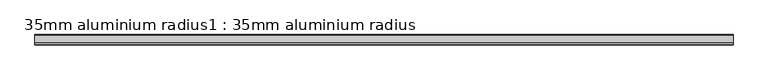
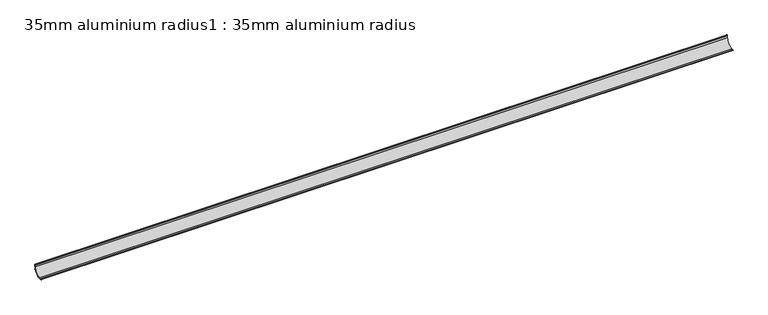
"""IFC4 building model written with IfcOpenShell, lengths in millimetres: proxy geometry, 35mm aluminium radius1 : 35mm aluminium radius."""

import ifcopenshell
import ifcopenshell.guid

model = None  # the IFC model being written
_history = None  # IfcOwnerHistory: only IFC2X3 demands one
_inside = {}  # id of a spatial element -> (the spatial element, [elements in it])
_under = {}  # id of a project, library or spatial element -> (it, [spatial elements below it])
_declared = {}  # id of a project -> (the project, [libraries it declares])
_typed = {}  # id of a type object -> (the type object, [elements of that type])
_made_of = {}  # id of a material, layer set ... -> (it, [elements and type objects made of it])


def new_model(schema):
    """Start an empty IFC model of exactly this schema.

    Asked for "IFC4X3", IfcOpenShell would pick the latest addendum, in which some entities
    have other attributes; the version numbers below select the first issue.
    IFC2X3 requires an IfcOwnerHistory on every rooted entity: one is made here for all.
    """
    global model, _history
    if schema == "IFC4X3":
        model = ifcopenshell.file(schema_version=(4, 3, 0, 0))
    else:
        model = ifcopenshell.file(schema=schema)
    _inside.clear()
    _under.clear()
    _declared.clear()
    _typed.clear()
    _made_of.clear()
    _history = None
    if model.schema == "IFC2X3":
        org = make("IfcOrganization", Name="unknown")
        user = make(
            "IfcPersonAndOrganization",
            ThePerson=make("IfcPerson", FamilyName="unknown"),
            TheOrganization=org,
        )
        app = make(
            "IfcApplication",
            ApplicationDeveloper=org,
            Version="unknown",
            ApplicationFullName="unknown",
            ApplicationIdentifier="unknown",
        )
        _history = make(
            "IfcOwnerHistory",
            OwningUser=user,
            OwningApplication=app,
            ChangeAction="ADDED",
            CreationDate=0,
        )
    return model


def make(cls, **values):
    """One entity of the class cls with the attributes given. An attribute that is None is left unset."""
    return model.create_entity(
        cls, **{name: value for name, value in values.items() if value is not None}
    )


def rooted(cls, **values):
    """An entity with a GlobalId (a new one), such as an element, a storey or a relation."""
    return make(cls, GlobalId=ifcopenshell.guid.new(), OwnerHistory=_history, **values)


def si_unit(unit_type, name, prefix=None):
    """IfcSIUnit, for example si_unit("LENGTHUNIT", "METRE", prefix="MILLI")."""
    return make("IfcSIUnit", UnitType=unit_type, Prefix=prefix, Name=name)


def assignment(units):
    """IfcUnitAssignment: the units of a project."""
    return None if units is None else make("IfcUnitAssignment", Units=units)


def point(xyz):
    """IfcCartesianPoint."""
    return None if xyz is None else make("IfcCartesianPoint", Coordinates=xyz)


def direction(xyz):
    """IfcDirection."""
    return None if xyz is None else make("IfcDirection", DirectionRatios=xyz)


def frame(location, z_axis=None, x_axis=None):
    """IfcAxis2Placement3D, a coordinate frame: its origin and axes. An axis left out is left unset."""
    return make(
        "IfcAxis2Placement3D",
        Location=point(location),
        Axis=direction(z_axis),
        RefDirection=direction(x_axis),
    )


def frame_2d(location, x_axis=None):
    """IfcAxis2Placement2D, a coordinate frame in the plane: its origin and x axis."""
    return make(
        "IfcAxis2Placement2D", Location=point(location), RefDirection=direction(x_axis)
    )


def origin():
    """The frame at (0, 0, 0) with its axes left unset."""
    return frame((0.0, 0.0, 0.0))


def place(relative_to, where):
    """IfcLocalPlacement: puts the frame where relative to a parent placement (None: the world)."""
    return make(
        "IfcLocalPlacement", PlacementRelTo=relative_to, RelativePlacement=where
    )


def context(
    kind, dimensions, precision=None, world=None, true_north=None, identifier=None
):
    """IfcGeometricRepresentationContext, for example the 3D "Model" context."""
    return make(
        "IfcGeometricRepresentationContext",
        ContextIdentifier=identifier,
        ContextType=kind,
        CoordinateSpaceDimension=dimensions,
        Precision=precision,
        WorldCoordinateSystem=world,
        TrueNorth=true_north,
    )


def project(units=None, contexts=None):
    """IfcProject with its units and contexts."""
    return rooted(
        "IfcProject",
        Name="project",
        RepresentationContexts=contexts,
        UnitsInContext=assignment(units),
    )


def spatial(cls, under=None, at=None, **own):
    """A site, building, storey or space (cls), placed at a placement, below another one or the project."""
    s = rooted(cls, ObjectPlacement=at, **own)
    if under is not None:
        _under.setdefault(under.id(), (under, []))[1].append(s)
    return s


def polyline(points):
    """IfcPolyline through the points."""
    return make("IfcPolyline", Points=[point(p) for p in points])


def circle_curve(where, radius):
    """IfcCircle in the frame where."""
    return make("IfcCircle", Position=where, Radius=radius)


def trimmed(basis, trim1, trim2, sense, master):
    """IfcTrimmedCurve: the piece of a basis curve between two trims."""
    return make(
        "IfcTrimmedCurve",
        BasisCurve=basis,
        Trim1=trim1,
        Trim2=trim2,
        SenseAgreement=sense,
        MasterRepresentation=master,
    )


def segment(curve, same_sense, transition):
    """IfcCompositeCurveSegment."""
    return make(
        "IfcCompositeCurveSegment",
        Transition=transition,
        SameSense=same_sense,
        ParentCurve=curve,
    )


def composite_curve(segments, self_intersect=None):
    """IfcCompositeCurve: segments joined end to end."""
    return make("IfcCompositeCurve", Segments=segments, SelfIntersect=self_intersect)


def outline(outer, holes=None, kind="AREA"):
    """IfcArbitraryClosedProfileDef: a profile drawn as a closed curve; with holes, ...WithVoids."""
    if holes is None:
        return make("IfcArbitraryClosedProfileDef", ProfileType=kind, OuterCurve=outer)
    return make(
        "IfcArbitraryProfileDefWithVoids",
        ProfileType=kind,
        OuterCurve=outer,
        InnerCurves=holes,
    )


def extrude(swept, where, along, depth):
    """IfcExtrudedAreaSolid: the profile swept, set in the frame where, extruded along a direction by depth."""
    return make(
        "IfcExtrudedAreaSolid",
        SweptArea=swept,
        Position=where,
        ExtrudedDirection=direction(along),
        Depth=depth,
    )


def shape(context_of_items, identifier, shape_type, items):
    """IfcShapeRepresentation: the items that make up one representation, for example the "Body"."""
    return make(
        "IfcShapeRepresentation",
        ContextOfItems=context_of_items,
        RepresentationIdentifier=identifier,
        RepresentationType=shape_type,
        Items=items,
    )


def source(mapping_origin, context_of_items, identifier, shape_type, items):
    """IfcRepresentationMap: a shape defined once, which mapped items show again and again."""
    return make(
        "IfcRepresentationMap",
        MappingOrigin=mapping_origin,
        MappedRepresentation=shape(context_of_items, identifier, shape_type, items),
    )


def transform(
    local_origin,
    x_axis=None,
    y_axis=None,
    z_axis=None,
    scale=None,
    scale2=None,
    scale3=None,
    uniform=True,
):
    """IfcCartesianTransformationOperator3D, or its non-uniform kind. x_axis, y_axis, z_axis: its Axis1, 2, 3."""
    if uniform:
        return make(
            "IfcCartesianTransformationOperator3D",
            Axis1=direction(x_axis),
            Axis2=direction(y_axis),
            LocalOrigin=point(local_origin),
            Scale=scale,
            Axis3=direction(z_axis),
        )
    return make(
        "IfcCartesianTransformationOperator3DnonUniform",
        Axis1=direction(x_axis),
        Axis2=direction(y_axis),
        LocalOrigin=point(local_origin),
        Scale=scale,
        Axis3=direction(z_axis),
        Scale2=scale2,
        Scale3=scale3,
    )


def mapped(mapping_source, mapping_target):
    """IfcMappedItem: shows the shape of a source again, moved by a transform."""
    return make(
        "IfcMappedItem", MappingSource=mapping_source, MappingTarget=mapping_target
    )


def made_of(thing, what):
    """Note that an element or type object is made of a material, layer set ...; save() writes the relation."""
    if what is not None:
        _made_of.setdefault(what.id(), (what, []))[1].append(thing)
    return thing


def element(
    cls,
    number,
    at=None,
    inside=None,
    cuts=None,
    type_object=None,
    material=None,
    context=None,
    identifier="Body",
    shape_type=None,
    held_by="IfcProductDefinitionShape",
    body=None,
    shapes=None,
    **own,
):
    """One element of the class cls, such as IfcWall. Its Tag is "e" and its number.

    at: its placement. inside: the storey or other place that contains it. cuts: it is an
    opening in that element (IfcRelVoidsElement). A single representation is given by context,
    identifier, shape_type and body (its items); several are given by shapes. held_by: the class
    of the entity that holds the representations. save() writes the other relations.
    """
    e = rooted(cls, Tag="e%d" % number, ObjectPlacement=at, **own)
    if body is not None:
        shapes = [shape(context, identifier, shape_type, body)]
    if shapes is not None:
        e.Representation = make(held_by, Representations=shapes)
    if inside is not None:
        _inside.setdefault(inside.id(), (inside, []))[1].append(e)
    if cuts is not None:
        rooted(
            "IfcRelVoidsElement", RelatingBuildingElement=cuts, RelatedOpeningElement=e
        )
    if type_object is not None:
        _typed.setdefault(type_object.id(), (type_object, []))[1].append(e)
    return made_of(e, material)


def aggregate(whole, parts):
    """IfcRelAggregates: a whole, such as a stair, and the parts it consists of."""
    return rooted("IfcRelAggregates", RelatingObject=whole, RelatedObjects=parts)


def save(model, path):
    """Write the relations noted so far, then the file.

    IfcRelAggregates (storeys below a building ...), IfcRelContainedInSpatialStructure (elements
    in a storey), IfcRelDefinesByType, IfcRelAssociatesMaterial and IfcRelDeclares: one each for
    every whole, place, type object, material and project.
    """
    for whole, parts in _under.values():
        aggregate(whole, parts)
    for where, things in _inside.values():
        rooted(
            "IfcRelContainedInSpatialStructure",
            RelatedElements=things,
            RelatingStructure=where,
        )
    for kind, things in _typed.values():
        rooted("IfcRelDefinesByType", RelatedObjects=things, RelatingType=kind)
    for what, things in _made_of.values():
        rooted("IfcRelAssociatesMaterial", RelatedObjects=things, RelatingMaterial=what)
    for by, libraries in _declared.values():
        rooted("IfcRelDeclares", RelatingContext=by, RelatedDefinitions=libraries)
    model.write(path)


def proxy_35mm_aluminium_radius1_35mm_aluminium_radius_ccbdf20c(model_context):
    return source(origin(), model_context, "Body", "SweptSolid", [
        extrude(outline(composite_curve([segment(trimmed(circle_curve(frame_2d((740.9258307, 33.7699793)), 1.2042709), [point((740.0169675, 34.5600654))], [point((739.7503008, 33.5084497))], True, "CARTESIAN"), True, "CONTINUOUS"), segment(polyline([(739.7503008, 33.5084497), (739.7503008, 26.8)]), True, "CONTINUOUS"), segment(trimmed(circle_curve(frame_2d((713.3503008, 26.8)), 26.4), [point((739.7503008, 26.8))], [point((738.5089972, 18.8))], False, "CARTESIAN"), True, "CONTINUOUS"), segment(polyline([(738.5089972, 18.8), (740.1503008, 18.8), (740.1503008, 17.4), (738.0201205, 17.4)]), True, "CONTINUOUS"), segment(trimmed(circle_curve(frame_2d((713.3503008, 26.8)), 26.4), [point((738.0201205, 17.4))], [point((722.7503008, 2.1301804))], False, "CARTESIAN"), True, "CONTINUOUS"), segment(polyline([(722.7503008, 2.1301804), (722.7503008, 0.0), (721.3503008, 0.0), (721.3503008, 1.6413037)]), True, "CONTINUOUS"), segment(trimmed(circle_curve(frame_2d((713.3503008, 26.8)), 26.4), [point((721.3503008, 1.6413037))], [point((713.3503008, 0.4))], False, "CARTESIAN"), True, "CONTINUOUS"), segment(polyline([(713.3503008, 0.4), (707.0040088, 0.4)]), True, "CONTINUOUS"), segment(trimmed(circle_curve(frame_2d((706.8098151, -2.4514518)), 2.8580567), [point((707.0040088, 0.4))], [point((705.5902355, 0.1333333))], True, "CARTESIAN"), True, "CONTINUOUS"), segment(trimmed(circle_curve(frame_2d((705.2503008, 0.5)), 0.5), [point((705.5902355, 0.1333333))], [point((704.8775476, 0.8332491))], False, "CARTESIAN"), True, "CONTINUOUS"), segment(trimmed(circle_curve(frame_2d((707.0834256, -1.2)), 3.0), [point((704.8775476, 0.8332491))], [point((707.0834256, 1.8))], False, "CARTESIAN"), True, "CONTINUOUS"), segment(polyline([(707.0834256, 1.8), (713.3503008, 1.8)]), True, "CONTINUOUS"), segment(trimmed(circle_curve(frame_2d((713.3503008, 26.8)), 25.0), [point((713.3503008, 1.8))], [point((738.3503008, 26.8))], True, "CARTESIAN"), True, "CONTINUOUS"), segment(polyline([(738.3503008, 26.8), (738.3503008, 33.0668752)]), True, "CONTINUOUS"), segment(trimmed(circle_curve(frame_2d((741.3503008, 33.0668752)), 3.0), [point((738.3503008, 33.0668752))], [point((739.3036819, 35.2603544))], False, "CARTESIAN"), True, "CONTINUOUS"), segment(trimmed(circle_curve(frame_2d((739.6503008, 34.9)), 0.5), [point((739.3036819, 35.2603544))], [point((740.0169675, 34.5600654))], False, "CARTESIAN"), True, "CONTINUOUS")], self_intersect=False)), frame((4244.6309284, 0.0, 0.0), z_axis=(1.0, 0.0, 0.0), x_axis=(0.0, 1.0, 0.0)), (0.0, 0.0, 1.0), 2400.0),
    ])


if __name__ == "__main__":
    model = new_model("IFC4")
    model_context = context("Model", 3, world=origin())
    ifc_project = project(units=[si_unit("LENGTHUNIT", "METRE", prefix="MILLI")], contexts=[model_context])
    site = spatial("IfcSite", under=ifc_project)
    building = spatial("IfcBuilding", under=site)
    placement = place(None, origin())
    proxy_35mm_aluminium_radius1_35mm_aluminium_radius_shape = proxy_35mm_aluminium_radius1_35mm_aluminium_radius_ccbdf20c(model_context)
    element("IfcBuildingElementProxy", 1, Name="35mm aluminium radius1 : 35mm aluminium radius", ObjectType="35mm aluminium radius1 : 35mm aluminium radius", at=placement, inside=building, context=model_context, shape_type="MappedRepresentation", body=[
        mapped(proxy_35mm_aluminium_radius1_35mm_aluminium_radius_shape, transform((0.0, 0.0, 0.0), x_axis=(1.0, 0.0, 0.0), y_axis=(0.0, 1.0, 0.0), z_axis=(0.0, 0.0, 1.0))),
    ])
    save(model, "model.ifc")
